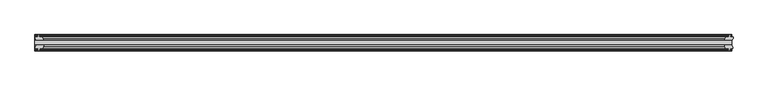
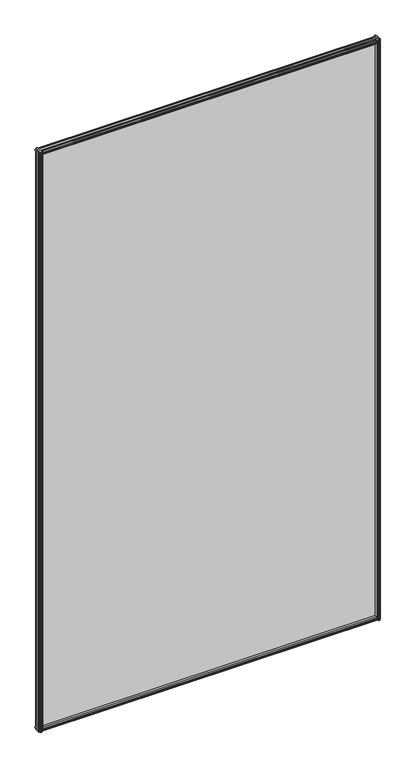
"""IFC4 building model written with IfcOpenShell, lengths in millimetres: plate geometry."""

from ifc_helpers import new_model, si_unit, frame, origin, place, context, project, spatial, polyline, outline, extrude, source, transform, mapped, element, save


def plate_9ea0e3ad(model_context):
    return source(origin(), model_context, "Body", "SweptSolid", [
        extrude(outline(polyline([(-542.2615425, -19.5460937), (581.6513863, -19.5460937), (581.6513863, -25.8960937), (-542.2615425, -25.8960937), (-542.2615425, -19.5460937)])), frame((0.0, 0.0, -12.7), z_axis=(0.0, 0.0, 1.0), x_axis=(1.0, 0.0, 0.0)), (0.0, 0.0, 1.0), 2019.3),
        extrude(outline(polyline([(580.7602838, -25.8960937), (582.97298, -29.2996938), (582.97298, -32.2460938), (578.52798, -32.2460938), (578.14698, -34.6262907), (579.5625091, -34.1663575), (579.5625091, -34.9675717), (577.38498, -35.6750938), (575.207451, -34.9675717), (575.207451, -34.1663575), (576.62298, -34.6262907), (576.24198, -32.2460938), (571.03498, -32.2460938), (568.9297029, -25.8960937), (580.7602838, -25.8960937)])), frame((0.0, 0.0, -12.7), z_axis=(0.0, 0.0, 1.0), x_axis=(1.0, 0.0, 0.0)), (0.0, 0.0, 1.0), 2019.3),
        extrude(outline(polyline([(575.728151, -10.4746158), (577.90568, -9.7670938), (580.0832091, -10.4746158), (580.0832091, -11.27583), (578.66768, -10.8158968), (579.04868, -13.1960938), (583.49368, -13.1960938), (583.49368, -16.1424938), (581.2809838, -19.5460937), (569.4504029, -19.5460937), (571.55568, -13.1960938), (576.76268, -13.1960938), (577.14368, -10.8158968), (575.728151, -11.27583), (575.728151, -10.4746158)])), frame((0.0, 0.0, -12.7), z_axis=(0.0, 0.0, 1.0), x_axis=(1.0, 0.0, 0.0)), (0.0, 0.0, 1.0), 2019.3),
        extrude(outline(polyline([(-527.4562654, -25.8960937), (-529.5615425, -32.2460937), (-534.7685425, -32.2460937), (-535.1495425, -34.6262907), (-533.7340135, -34.1663575), (-533.7340135, -34.9675717), (-535.9115425, -35.6750937), (-538.0890716, -34.9675717), (-538.0890716, -34.1663575), (-536.6735425, -34.6262907), (-537.0545425, -32.2460937), (-541.4995425, -32.2460937), (-541.4995425, -29.2996937), (-539.2868463, -25.8960937), (-527.4562654, -25.8960937)])), frame((0.0, 0.0, -12.7), z_axis=(0.0, 0.0, 1.0), x_axis=(1.0, 0.0, 0.0)), (0.0, 0.0, 1.0), 2019.3),
        extrude(outline(polyline([(-537.1942425, -10.8158968), (-538.6097716, -11.27583), (-538.6097716, -10.4746158), (-536.4322425, -9.7670937), (-534.2547135, -10.4746158), (-534.2547135, -11.27583), (-535.6702425, -10.8158968), (-535.2892425, -13.1960937), (-530.0822425, -13.1960937), (-527.9769654, -19.5460937), (-539.8075463, -19.5460937), (-542.0202425, -16.1424937), (-542.0202425, -13.1960937), (-537.5752425, -13.1960937), (-537.1942425, -10.8158968)])), frame((0.0, 0.0, -12.7), z_axis=(0.0, 0.0, 1.0), x_axis=(1.0, 0.0, 0.0)), (0.0, 0.0, 1.0), 2019.3),
        extrude(outline(polyline([(-13.1960937, 2006.3587), (-13.1960937, 2001.9137), (-10.8158968, 2001.5327), (-11.27583, 2002.9482291), (-10.4746158, 2002.9482291), (-9.7670937, 2000.7707), (-10.4746158, 1998.5931709), (-11.27583, 1998.5931709), (-10.8158968, 2000.0087), (-13.1960937, 1999.6277), (-13.1960937, 1994.4207), (-19.5460937, 1992.3154229), (-19.5460937, 2004.1460038), (-16.1424937, 2006.3587), (-13.1960937, 2006.3587)])), frame((-542.2615425, 0.0, 0.0), z_axis=(1.0, 0.0, 0.0), x_axis=(0.0, 1.0, 0.0)), (0.0, 0.0, 1.0), 1123.9129288),
        extrude(outline(polyline([(-29.2996937, 2005.838), (-25.8960937, 2003.6253038), (-25.8960937, 1991.7947229), (-32.2460937, 1993.9), (-32.2460937, 1999.107), (-34.6262907, 1999.488), (-34.1663575, 1998.072471), (-34.9675717, 1998.072471), (-35.6750937, 2000.25), (-34.9675717, 2002.4275291), (-34.1663575, 2002.4275291), (-34.6262907, 2001.012), (-32.2460937, 2001.393), (-32.2460937, 2005.838), (-29.2996937, 2005.838)])), frame((-542.2615425, 0.0, 0.0), z_axis=(1.0, 0.0, 0.0), x_axis=(0.0, 1.0, 0.0)), (0.0, 0.0, 1.0), 1123.9129288),
        extrude(outline(polyline([(-25.8960937, 2.1052771), (-25.8960937, -9.7253038), (-29.2996937, -11.938), (-32.2460937, -11.938), (-32.2460937, -7.493), (-34.6262907, -7.112), (-34.1663575, -8.5275291), (-34.9675717, -8.5275291), (-35.6750937, -6.35), (-34.9675717, -4.1724709), (-34.1663575, -4.1724709), (-34.6262907, -5.588), (-32.2460937, -5.207), (-32.2460937, 0.0), (-25.8960937, 2.1052771)])), frame((-542.2615425, 0.0, 0.0), z_axis=(1.0, 0.0, 0.0), x_axis=(0.0, 1.0, 0.0)), (0.0, 0.0, 1.0), 1123.9129288),
        extrude(outline(polyline([(-19.5460937, 1.5845771), (-13.1960937, -0.5207), (-13.1960937, -5.7277), (-10.8158968, -6.1087), (-11.27583, -4.6931709), (-10.4746158, -4.6931709), (-9.7670937, -6.8707), (-10.4746158, -9.048229), (-11.27583, -9.048229), (-10.8158968, -7.6327), (-13.1960937, -8.0137), (-13.1960937, -12.4587), (-16.1424937, -12.4587), (-19.5460937, -10.2460038), (-19.5460937, 1.5845771)])), frame((-542.2615425, 0.0, 0.0), z_axis=(1.0, 0.0, 0.0), x_axis=(0.0, 1.0, 0.0)), (0.0, 0.0, 1.0), 1123.9129288),
    ])


if __name__ == "__main__":
    model = new_model("IFC4")
    model_context = context("Model", 3, world=origin())
    ifc_project = project(units=[si_unit("LENGTHUNIT", "METRE", prefix="MILLI")], contexts=[model_context])
    site = spatial("IfcSite", under=ifc_project)
    building = spatial("IfcBuilding", under=site)
    placement = place(None, origin())
    plate_shape = plate_9ea0e3ad(model_context)
    element("IfcPlate", 1, at=placement, inside=building, context=model_context, shape_type="MappedRepresentation", body=[
        mapped(plate_shape, transform((0.0, 0.0, 0.0), x_axis=(1.0, 0.0, 0.0), y_axis=(0.0, 1.0, 0.0), z_axis=(0.0, 0.0, 1.0))),
    ])
    save(model, "model.ifc")
